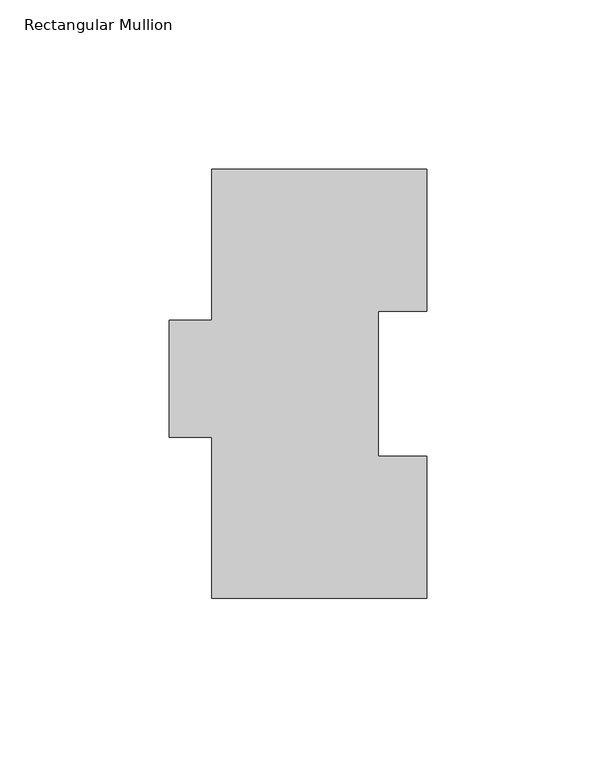
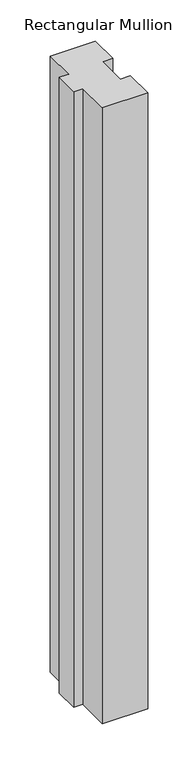
"""IFC4 building model written with IfcOpenShell, lengths in millimetres: member geometry, Rectangular Mullion."""

from ifc_helpers import new_model, si_unit, frame, origin, place, context, project, spatial, polyline, outline, extrude, source, transform, mapped, element, save


def rectangular_mullion_ad45b0b2(model_context):
    return source(origin(), model_context, "Body", "SweptSolid", [
        extrude(outline(polyline([(-31.75, 127.00635), (31.7502713, 127.00635), (31.7502713, 84.93125), (17.4622287, 84.93125), (17.4622287, 42.08145), (31.7497287, 42.08145), (31.7497287, 0.00635), (-31.75, 0.00635), (-31.75, 47.63135), (-44.45, 47.63135), (-44.45, 82.30235), (-31.75, 82.30235), (-31.75, 127.00635)])), frame((0.0, 0.0, -914.4), z_axis=(0.0, 0.0, 1.0), x_axis=(1.0, 0.0, 0.0)), (0.0, 0.0, 1.0), 914.4),
    ])


if __name__ == "__main__":
    model = new_model("IFC4")
    model_context = context("Model", 3, world=origin())
    ifc_project = project(units=[si_unit("LENGTHUNIT", "METRE", prefix="MILLI")], contexts=[model_context])
    site = spatial("IfcSite", under=ifc_project)
    building = spatial("IfcBuilding", under=site)
    placement = place(None, origin())
    rectangular_mullion_shape = rectangular_mullion_ad45b0b2(model_context)
    element("IfcMember", 1, ObjectType="Rectangular Mullion", at=placement, inside=building, context=model_context, shape_type="MappedRepresentation", body=[
        mapped(rectangular_mullion_shape, transform((0.0, 0.0, 0.0), x_axis=(1.0, 0.0, 0.0), y_axis=(0.0, 1.0, 0.0), z_axis=(0.0, 0.0, 1.0))),
    ])
    save(model, "model.ifc")
